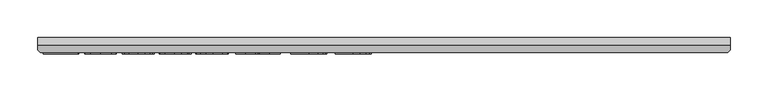
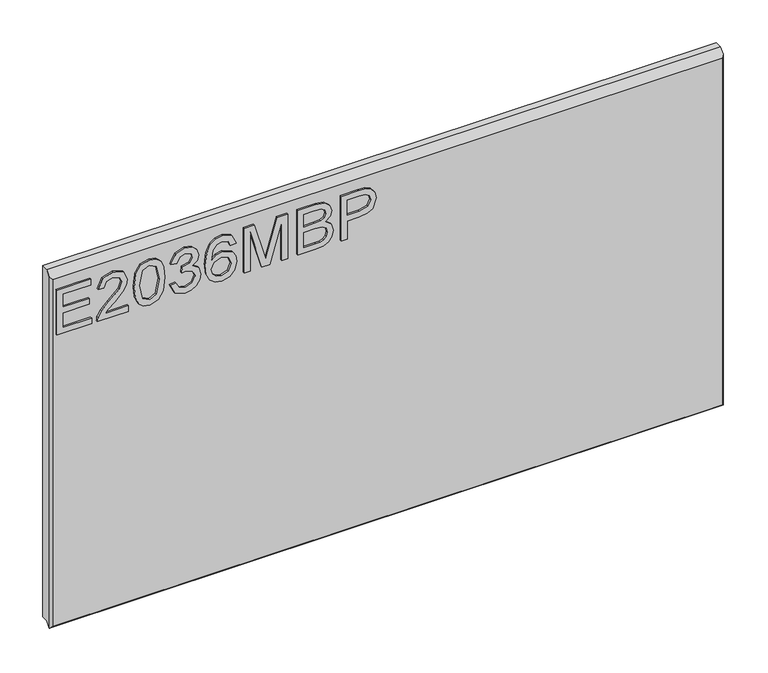
"""IFC4 building model written with IfcOpenShell, lengths in millimetres: furniture geometry."""

from ifc_helpers import new_model, si_unit, frame, origin, place, context, project, spatial, polyline, outline, extrude, faceted_brep, source, transform, mapped, element, save


def furniture_7c5660bb(model_context):
    return source(origin(), model_context, "Body", "SolidModel", [
        extrude(outline(polyline([(1523.7944188, -279.0852904), (1523.7944188, -232.2396877), (1531.7681384, -232.2396877), (1531.7681384, -271.1115708), (1552.6991524, -271.1115708), (1552.6991524, -235.2298325), (1560.672872, -235.2298325), (1560.672872, -271.1115708), (1579.6104561, -271.1115708), (1579.6104561, -233.2364026), (1587.5841757, -233.2364026), (1587.5841757, -279.0852904), (1523.7944188, -279.0852904)])), frame((0.0, -21.9273438, 0.0), z_axis=(0.0, 1.0, 0.0), x_axis=(0.0, 0.0, 1.0)), (0.0, 0.0, 1.0), 2.38125),
        extrude(outline(polyline([(1531.7681384, -182.40394), (1531.7681384, -213.7225927), (1535.8250797, -210.1250747), (1543.4951127, -200.9521824), (1554.420043, -189.5288946), (1562.2380259, -184.8178591), (1569.7990433, -183.400655), (1582.4760116, -188.656769), (1587.5841757, -202.9300386), (1582.9899427, -217.1565872), (1569.6433066, -223.2692531), (1568.6465916, -215.2955335), (1576.6981796, -211.9394073), (1579.6104561, -203.101349), (1576.6280981, -194.621485), (1569.3162595, -191.3743746), (1560.2835302, -194.8161559), (1546.9991887, -208.5832812), (1537.7562149, -218.5660044), (1529.2919247, -223.4094161), (1523.7944188, -224.265968), (1523.7944188, -182.40394), (1531.7681384, -182.40394)])), frame((0.0, -21.9273438, 0.0), z_axis=(0.0, 1.0, 0.0), x_axis=(0.0, 0.0, 1.0)), (0.0, 0.0, 1.0), 2.38125),
        extrude(outline(polyline([(1555.1753661, -174.4302204), (1539.6600962, -172.841706), (1528.8714355, -168.0761626), (1524.3161367, -161.7843995), (1522.7977038, -153.4992064), (1526.293993, -141.8267399), (1536.899663, -134.8886694), (1555.1753661, -132.5681924), (1570.1650245, -134.0165438), (1579.6026692, -137.7542249), (1585.5284511, -144.1861511), (1587.5841757, -153.4992064), (1584.111247, -165.1249519), (1573.5289375, -172.0863829), (1555.1753661, -174.4302204)]), holes=[polyline([(1555.1909397, -166.4565008), (1575.3432702, -162.5942304), (1579.6104561, -153.5926485), (1574.7670444, -144.1550038), (1555.1909397, -140.5419121), (1535.4045906, -144.2795931), (1530.7714234, -153.4992064), (1535.3890169, -162.7188197), (1555.1909397, -166.4565008)])]), frame((0.0, -21.9273438, 0.0), z_axis=(0.0, 1.0, 0.0), x_axis=(0.0, 0.0, 1.0)), (0.0, 0.0, 1.0), 2.38125),
        extrude(outline(polyline([(1540.7385729, -125.5911878), (1527.7968522, -119.2527036), (1522.7977038, -105.2675469), (1524.2616289, -96.7448554), (1528.6534041, -89.8340389), (1535.147625, -85.2553795), (1542.9188869, -83.7291598), (1553.2909519, -86.7815993), (1558.7417368, -95.4717078), (1564.0212113, -88.9307659), (1571.371984, -86.7193046), (1579.4157852, -89.0475685), (1585.3960749, -95.7753944), (1587.5841757, -105.3921363), (1583.1456794, -118.0691046), (1570.6400215, -124.5944728), (1569.6433066, -116.6207532), (1577.1186687, -112.7117617), (1579.6104561, -105.1118102), (1577.1420292, -97.6053007), (1570.9047739, -94.6930242), (1563.8654746, -98.7110314), (1561.6695869, -109.0363754), (1553.6958673, -109.9240746), (1554.5679929, -104.3331267), (1551.3053088, -95.2692501), (1543.0590499, -91.7028794), (1534.3066468, -95.3003974), (1530.7714234, -104.9872209), (1533.3410792, -113.2179061), (1541.7352879, -117.6174681), (1540.7385729, -125.5911878)])), frame((0.0, -21.9273438, 0.0), z_axis=(0.0, 1.0, 0.0), x_axis=(0.0, 0.0, 1.0)), (0.0, 0.0, 1.0), 2.38125),
        extrude(outline(polyline([(1570.6400215, -35.8868421), (1583.0833847, -41.7736898), (1587.5841757, -54.3727897), (1585.7659496, -63.6274438), (1580.3112713, -70.7718654), (1569.4525291, -76.0046189), (1553.5712779, -77.7488701), (1539.4459582, -76.177876), (1529.9615925, -71.4648938), (1524.588676, -64.2601242), (1522.7977038, -55.2137679), (1525.4997357, -44.7638346), (1533.2865713, -37.5220775), (1544.28937, -34.8901271), (1552.4616539, -36.2878641), (1558.9753418, -40.481075), (1564.6597318, -54.0301689), (1562.5806467, -62.7436379), (1556.218802, -69.7751504), (1570.4297769, -67.5091813), (1577.6793209, -62.0661832), (1579.6104561, -54.8711472), (1576.2932641, -46.8818539), (1569.6433066, -43.8605617), (1570.6400215, -35.8868421)]), holes=[polyline([(1544.4139593, -69.7751504), (1553.2987387, -65.8116511), (1556.6860122, -56.1637619), (1553.2987387, -46.3912832), (1544.0246175, -42.8638467), (1534.3377941, -46.4380043), (1530.7714234, -55.8367148), (1532.4923141, -63.023964), (1537.5070362, -67.9296704), (1544.4139593, -69.7751504)])]), frame((0.0, -21.9273438, 0.0), z_axis=(0.0, 1.0, 0.0), x_axis=(0.0, 0.0, 1.0)), (0.0, 0.0, 1.0), 2.38125),
        extrude(outline(polyline([(1523.7944188, -24.9229776), (1523.7944188, -16.949258), (1579.6104561, -16.949258), (1523.7944188, -0.9239504), (1523.7944188, 9.8841774), (1579.6104561, 25.909485), (1523.7944188, 25.909485), (1523.7944188, 33.8832046), (1587.5841757, 33.8832046), (1587.5841757, 20.1628003), (1543.4016707, 7.3300953), (1533.2320635, 4.4801135), (1542.6229871, 1.8481631), (1587.5841757, -11.2025733), (1587.5841757, -24.9229776), (1523.7944188, -24.9229776)])), frame((0.0, -21.9273438, 0.0), z_axis=(0.0, 1.0, 0.0), x_axis=(0.0, 0.0, 1.0)), (0.0, 0.0, 1.0), 2.38125),
        extrude(outline(polyline([(1523.7944188, 47.8372139), (1523.7944188, 71.9919778), (1524.8923626, 82.2160929), (1528.1316862, 89.1541634), (1534.2365652, 93.8029043), (1542.8098712, 95.6795316), (1552.7302997, 92.9307787), (1558.6794421, 85.0738616), (1564.3248979, 91.544722), (1571.7768995, 93.6861017), (1579.9375032, 91.1398065), (1585.7075483, 84.1005072), (1587.5841757, 72.1788619), (1587.5841757, 47.8372139), (1523.7944188, 47.8372139)]), holes=[polyline([(1561.6695869, 55.8109335), (1579.6104561, 55.8109335), (1579.6104561, 69.2665854), (1578.7772647, 79.514061), (1575.7014646, 84.108294), (1570.4998585, 85.7123821), (1565.3060391, 83.9914915), (1562.3548285, 78.8755405), (1561.6695869, 70.3723161), (1561.6695869, 55.8109335)]), polyline([(1531.7681384, 55.8109335), (1553.6958673, 55.8109335), (1553.6958673, 71.3846047), (1552.6290708, 81.2349517), (1548.930324, 86.1795922), (1542.7320028, 87.705812), (1537.3590863, 86.4054105), (1533.8160761, 83.0882185), (1532.0796118, 78.0812833), (1531.7681384, 72.1632882), (1531.7681384, 55.8109335)])]), frame((0.0, -21.9273438, 0.0), z_axis=(0.0, 1.0, 0.0), x_axis=(0.0, 0.0, 1.0)), (0.0, 0.0, 1.0), 2.38125),
        extrude(outline(polyline([(1523.7944188, 106.6433961), (1523.7944188, 114.6171157), (1549.7090075, 114.6171157), (1549.7090075, 130.8293074), (1551.1184247, 142.1572064), (1555.3466765, 149.3541892), (1569.1293754, 154.4857138), (1577.8272707, 152.5857259), (1583.9944445, 147.563217), (1586.9768025, 139.8153156), (1587.5841757, 130.2842289), (1587.5841757, 106.6433961), (1523.7944188, 106.6433961)]), holes=[polyline([(1557.6827271, 114.6171157), (1579.6104561, 114.6171157), (1579.6104561, 131.1096335), (1579.0653776, 139.0833531), (1575.4522859, 144.4640564), (1568.8490493, 146.5119942), (1560.6105773, 143.0390655), (1557.6827271, 131.2965175), (1557.6827271, 114.6171157)])]), frame((0.0, -21.9273438, 0.0), z_axis=(0.0, 1.0, 0.0), x_axis=(0.0, 0.0, 1.0)), (0.0, 0.0, 1.0), 2.38125),
        faceted_brep([(628.3377049, 0.0, 1612.6944187), (-286.0622951, 0.0, 1612.6944187), (-286.0622951, -9.7234375, 1612.6944187), (628.3377049, -9.7234375, 1612.6944187), (-286.0622951, 0.0, 1108.1226364), (628.3377049, 0.0, 1108.1226364), (628.3377049, -10.0210916, 1108.1226364), (-286.0622951, -10.0210916, 1108.1226364), (-286.0622951, -16.3710916, 1101.7726364), (-286.0622951, -16.3710938, 1606.0467625), (625.1627049, -19.5460937, 1602.8717625), (-282.8872951, -19.5460937, 1602.8717625), (-282.8872951, -19.5460937, 1104.9476364), (625.162707, -19.5460937, 1104.9476364), (628.3377049, -16.3710938, 1606.0467625), (628.3377049, -16.3710938, 1101.7726364)], [[[0, 1, 2, 3]], [[4, 5, 6, 7]], [[1, 4, 7, 8, 9, 2]], [[10, 11, 12, 13]], [[5, 0, 3, 14, 15, 6]], [[1, 0, 5, 4]], [[3, 2, 9, 11, 10, 14]], [[6, 15, 8, 7]], [[8, 15, 13, 12]], [[9, 8, 12, 11]], [[10, 13, 15, 14]]]),
    ])


if __name__ == "__main__":
    model = new_model("IFC4")
    model_context = context("Model", 3, world=origin())
    ifc_project = project(units=[si_unit("LENGTHUNIT", "METRE", prefix="MILLI")], contexts=[model_context])
    site = spatial("IfcSite", under=ifc_project)
    building = spatial("IfcBuilding", under=site)
    placement = place(None, origin())
    furniture_shape = furniture_7c5660bb(model_context)
    element("IfcFurniture", 1, at=placement, inside=building, context=model_context, shape_type="MappedRepresentation", body=[
        mapped(furniture_shape, transform((0.0, 0.0, 0.0), x_axis=(1.0, 0.0, 0.0), y_axis=(0.0, 1.0, 0.0), z_axis=(0.0, 0.0, 1.0))),
    ])
    save(model, "model.ifc")
